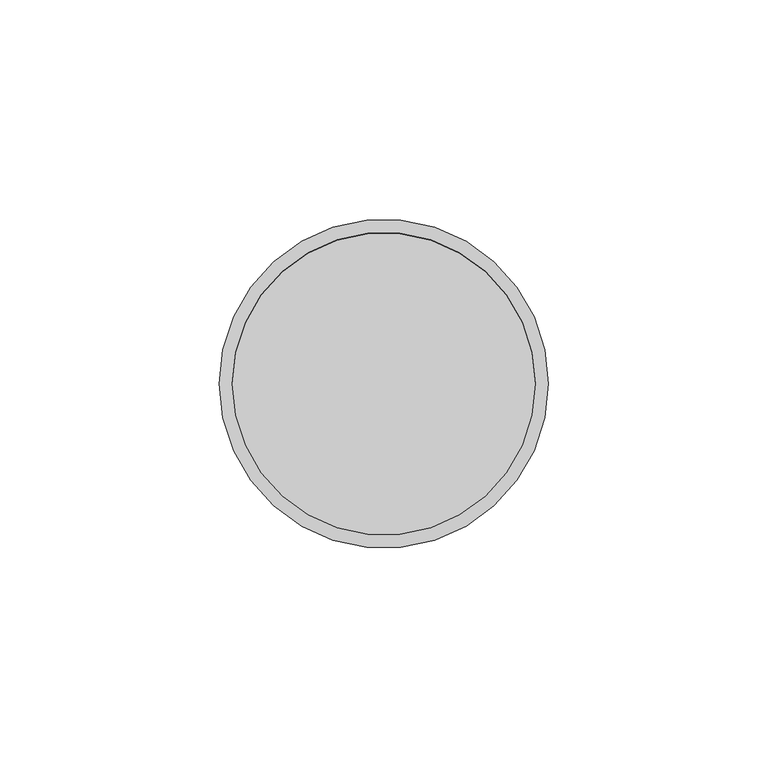
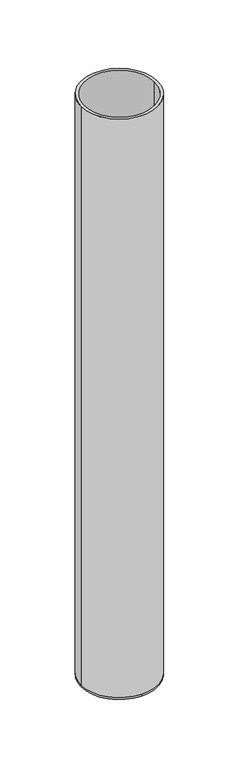
"""IFC4 building model written with IfcOpenShell, lengths in millimetres: beam geometry."""

from ifc_helpers import new_model, si_unit, frame, origin, place, context, project, spatial, polyline, circle_curve, source, transform, mapped, element, save
from ifc_brep_helpers import plane_surface, cylinder_surface, revolved_surface, advanced_brep


def beam_7f7cd426(model_context):
    return source(origin(), model_context, "Body", "AdvancedBrep", [
        advanced_brep(
        [(37.5, 0.0, 0.0), (-37.5, 0.0, 0.0), (34.5, 0.0, 0.0), (-34.5, 0.0, 0.0), (34.5, 0.0, -598.0), (-34.5, 0.0, -598.0), (37.5, 0.0, -598.0), (0.0, 37.5, -598.0), (-37.5, 0.0, -598.0), (0.0, -37.5, -598.0), (0.0, 37.5, -600.0), (0.0, -37.5, -600.0)],
        [
            (0, 1, circle_curve(frame((0.0, 0.0, 0.0), z_axis=(0.0, 0.0, 1.0), x_axis=(-1.0, 0.0, 0.0)), 37.5)),
            (1, 0, circle_curve(frame((0.0, 0.0, 0.0), z_axis=(0.0, 0.0, 1.0), x_axis=(-1.0, 0.0, 0.0)), 37.5)),
            (2, 3, circle_curve(frame((0.0, 0.0, 0.0), z_axis=(0.0, 0.0, -1.0), x_axis=(-1.0, 0.0, 0.0)), 34.5)),
            (3, 2, circle_curve(frame((0.0, 0.0, 0.0), z_axis=(0.0, 0.0, -1.0), x_axis=(-1.0, 0.0, 0.0)), 34.5)),
            (2, 4),
            (4, 5, circle_curve(frame((0.0, 0.0, -598.0), z_axis=(0.0, 0.0, -1.0), x_axis=(-1.0, 0.0, 0.0)), 34.5)),
            (5, 3),
            (5, 4, circle_curve(frame((0.0, 0.0, -598.0), z_axis=(0.0, 0.0, -1.0), x_axis=(-1.0, 0.0, 0.0)), 34.5)),
            (0, 6),
            (6, 7, circle_curve(frame((0.0, 0.0, -598.0), z_axis=(0.0, 0.0, 1.0), x_axis=(-1.0, 0.0, 0.0)), 37.5)),
            (7, 8, circle_curve(frame((0.0, 0.0, -598.0), z_axis=(0.0, 0.0, 1.0), x_axis=(-1.0, 0.0, 0.0)), 37.5)),
            (8, 1),
            (8, 9, circle_curve(frame((0.0, 0.0, -598.0), z_axis=(0.0, 0.0, 1.0), x_axis=(-1.0, 0.0, 0.0)), 37.5)),
            (9, 6, circle_curve(frame((0.0, 0.0, -598.0), z_axis=(0.0, 0.0, 1.0), x_axis=(-1.0, 0.0, 0.0)), 37.5)),
            (10, 11, circle_curve(frame((0.0, 0.0, -600.0), z_axis=(0.0, 0.0, -1.0), x_axis=(0.0, -1.0, 0.0)), 37.5)),
            (11, 10, circle_curve(frame((0.0, 0.0, -600.0), z_axis=(0.0, 0.0, -1.0), x_axis=(0.0, -1.0, 0.0)), 37.5)),
            (11, 9),
            (7, 10),
        ],
        [
            plane_surface(frame((0.0, 0.0, 0.0), z_axis=(0.0, 0.0, 1.0), x_axis=(0.0, -1.0, 0.0))),
            revolved_surface(polyline([(-34.5, 0.0, 0.0), (-34.5, 0.0, -598.0)]), (0.0, 0.0, -598.0), (0.0, 0.0, 1.0)),
            cylinder_surface(frame((0.0, 0.0, -598.0), z_axis=(0.0, 0.0, -1.0), x_axis=(-1.0, 0.0, 0.0)), 37.5),
            plane_surface(frame((0.0, 0.0, -598.0), z_axis=(0.0, 0.0, 1.0), x_axis=(0.0, -1.0, 0.0))),
            plane_surface(frame((0.0, 0.0, -600.0), z_axis=(0.0, 0.0, -1.0), x_axis=(0.0, -1.0, 0.0))),
            cylinder_surface(frame((0.0, 0.0, -598.0), z_axis=(0.0, 0.0, 1.0), x_axis=(0.0, -1.0, 0.0)), 37.5),
        ],
        [
            (0, [[1, 2], [3, 4]]),
            (1, [[-3, 5, 6, 7]]),
            (1, [[-4, -7, 8, -5]]),
            (2, [[-1, 9, 10, 11, 12]]),
            (2, [[-2, -12, 13, 14, -9]]),
            (3, [[-6, -8]]),
            (4, [[15, 16]]),
            (5, [[-16, 17, -13, -11, 18]]),
            (5, [[-15, -18, -10, -14, -17]]),
        ],
    ),
    ])


if __name__ == "__main__":
    model = new_model("IFC4")
    model_context = context("Model", 3, world=origin())
    ifc_project = project(units=[si_unit("LENGTHUNIT", "METRE", prefix="MILLI")], contexts=[model_context])
    site = spatial("IfcSite", under=ifc_project)
    building = spatial("IfcBuilding", under=site)
    placement = place(None, origin())
    beam_shape = beam_7f7cd426(model_context)
    element("IfcBeam", 1, at=placement, inside=building, context=model_context, shape_type="MappedRepresentation", body=[
        mapped(beam_shape, transform((0.0, 0.0, 0.0), x_axis=(1.0, 0.0, 0.0), y_axis=(0.0, 1.0, 0.0), z_axis=(0.0, 0.0, 1.0))),
    ])
    save(model, "model.ifc")
